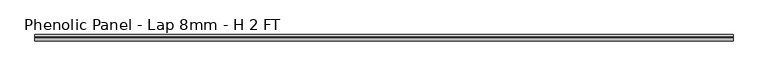
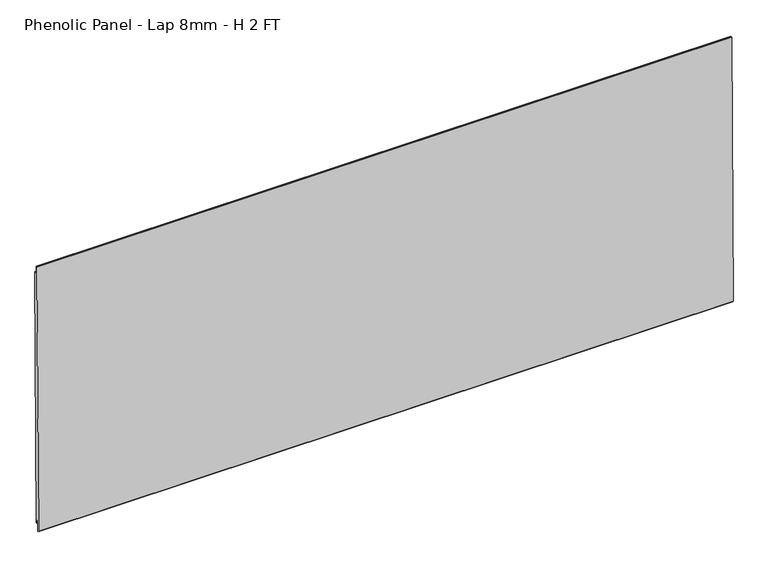
"""IFC4 building model written with IfcOpenShell, lengths in millimetres: proxy geometry, Phenolic Panel - Lap 8mm - H 2 FT."""

from ifc_helpers import new_model, si_unit, frame, origin, place, context, project, spatial, polyline, outline, extrude, source, transform, mapped, element, save


def phenolic_panel_lap_8mm_h_2_ft_4e5cabb7(model_context):
    return source(origin(), model_context, "Body", "SweptSolid", [
        extrude(outline(polyline([(2.7732555, 593.6735917), (-2.7736212, 15.850215), (-5.1547614, 15.873073), (-5.0785681, 23.8102073), (-7.6581367, 23.8349701), (-7.8867168, 0.0235672), (-9.8571575, 0.0424827), (-10.8534851, 1.0581244), (-5.0211492, 608.618069), (-4.0055075, 609.6143966), (-2.6240021, 609.6011347), (-2.7763888, 593.7268661), (2.7732555, 593.6735917)])), frame((-301.625, 0.0, 0.0), z_axis=(1.0, 0.0, 0.0), x_axis=(0.0, 1.0, 0.0)), (0.0, 0.0, 1.0), 1520.825),
    ])


if __name__ == "__main__":
    model = new_model("IFC4")
    model_context = context("Model", 3, world=origin())
    ifc_project = project(units=[si_unit("LENGTHUNIT", "METRE", prefix="MILLI")], contexts=[model_context])
    site = spatial("IfcSite", under=ifc_project)
    building = spatial("IfcBuilding", under=site)
    placement = place(None, origin())
    phenolic_panel_lap_8mm_h_2_ft_shape = phenolic_panel_lap_8mm_h_2_ft_4e5cabb7(model_context)
    element("IfcBuildingElementProxy", 1, Name="Phenolic Panel - Lap 8mm - H 2 FT", ObjectType="Phenolic Panel - Lap 8mm - H 2 FT", at=placement, inside=building, context=model_context, shape_type="MappedRepresentation", body=[
        mapped(phenolic_panel_lap_8mm_h_2_ft_shape, transform((0.0, 0.0, 0.0), x_axis=(1.0, 0.0, 0.0), y_axis=(0.0, 1.0, 0.0), z_axis=(0.0, 0.0, 1.0))),
    ])
    save(model, "model.ifc")
